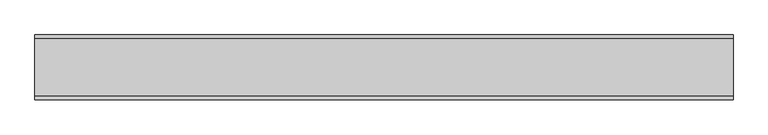
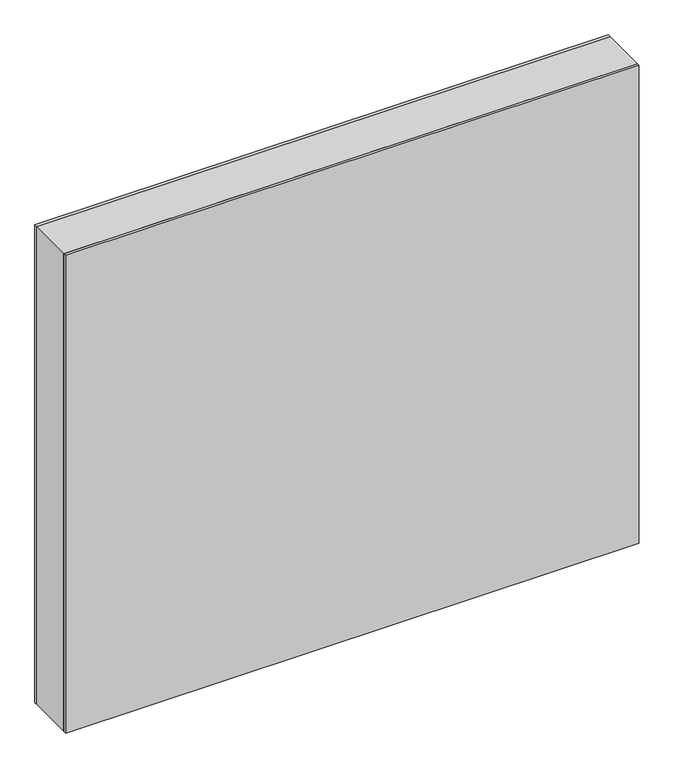
"""IFC4 building model written with IfcOpenShell, lengths in millimetres: plate geometry."""

from ifc_helpers import new_model, si_unit, frame, origin, origin_with_axes, place, context, project, spatial, polyline, outline, extrude, source, transform, mapped, element, save


def plate_cd314fff(model_context):
    return source(origin(), model_context, "Body", "SweptSolid", [
        extrude(outline(polyline([(950.25, -539.9375001), (0.0, -539.9375001), (0.0, 539.9375001), (950.25, 539.9375001), (950.25, -539.9375001)]), holes=[polyline([(949.25, -538.9375001), (949.25, 538.9375001), (1.0, 538.9375001), (1.0, -538.9375001), (949.25, -538.9375001)])]), frame((0.0, -44.0, 0.0), z_axis=(0.0, 1.0, 0.0), x_axis=(0.0, 0.0, 1.0)), (0.0, 0.0, 1.0), 88.0),
        extrude(outline(polyline([(539.9375001, 44.0), (-539.9375001, 44.0), (-539.9375001, 50.0), (539.9375001, 50.0), (539.9375001, 44.0)])), origin_with_axes(), (0.0, 0.0, 1.0), 950.25),
        extrude(outline(polyline([(-539.9375001, -50.0), (-539.9375001, -44.0), (539.9375001, -44.0), (539.9375001, -50.0), (-539.9375001, -50.0)])), origin_with_axes(), (0.0, 0.0, 1.0), 950.25),
    ])


if __name__ == "__main__":
    model = new_model("IFC4")
    model_context = context("Model", 3, world=origin())
    ifc_project = project(units=[si_unit("LENGTHUNIT", "METRE", prefix="MILLI")], contexts=[model_context])
    site = spatial("IfcSite", under=ifc_project)
    building = spatial("IfcBuilding", under=site)
    placement = place(None, origin())
    plate_shape = plate_cd314fff(model_context)
    element("IfcPlate", 1, at=placement, inside=building, context=model_context, shape_type="MappedRepresentation", body=[
        mapped(plate_shape, transform((0.0, 0.0, 0.0), x_axis=(1.0, 0.0, 0.0), y_axis=(0.0, 1.0, 0.0), z_axis=(0.0, 0.0, 1.0))),
    ])
    save(model, "model.ifc")
